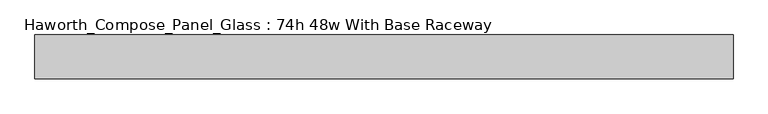
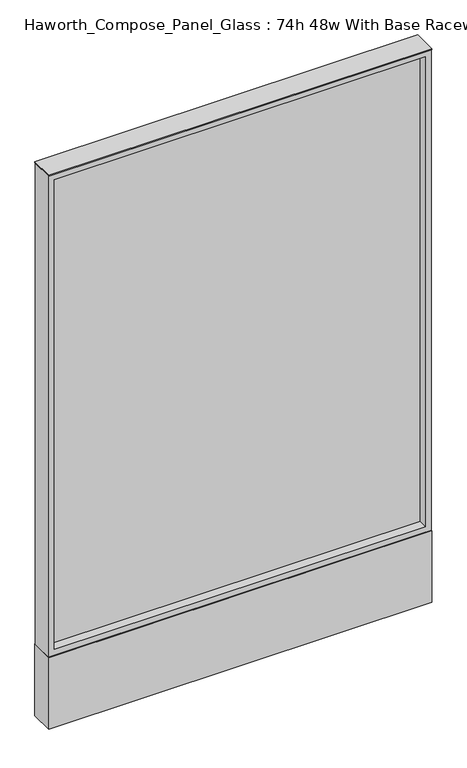
"""IFC4 building model written with IfcOpenShell, lengths in millimetres: furniture geometry, Haworth_Compose_Panel_Glass : 74h 48w With Base Raceway."""

from ifc_helpers import new_model, si_unit, point, frame, frame_2d, origin, origin_with_axes, place, context, project, spatial, polyline, circle_curve, trimmed, segment, composite_curve, outline, extrude, source, transform, mapped, element, save


def haworth_compose_panel_glass_74h_48w_with_base_raceway_a7fe2dac(model_context):
    return source(origin(), model_context, "Body", "SweptSolid", [
        extrude(outline(composite_curve([segment(trimmed(circle_curve(frame_2d((535.8402902, 0.0)), 12.7), [point((523.1402902, 0.0))], [point((548.5402902, 0.0))], False, "CARTESIAN"), True, "CONTINUOUS"), segment(trimmed(circle_curve(frame_2d((535.8402902, 0.0)), 12.7), [point((548.5402902, 0.0))], [point((523.1402902, 0.0))], False, "CARTESIAN"), True, "CONTINUOUS")], self_intersect=False)), origin_with_axes(), (0.0, 0.0, 1.0), 12.7),
        extrude(outline(composite_curve([segment(trimmed(circle_curve(frame_2d((-530.9597098, 0.0)), 12.7), [point((-543.6597098, 0.0))], [point((-518.2597098, 0.0))], False, "CARTESIAN"), True, "CONTINUOUS"), segment(trimmed(circle_curve(frame_2d((-530.9597098, 0.0)), 12.7), [point((-518.2597098, 0.0))], [point((-543.6597098, 0.0))], False, "CARTESIAN"), True, "CONTINUOUS")], self_intersect=False)), origin_with_axes(), (0.0, 0.0, 1.0), 12.7),
        extrude(outline(polyline([(592.9902902, -6.35), (-588.1097098, -6.35), (-588.1097098, 6.35), (592.9902902, 6.35), (592.9902902, -6.35)])), frame((0.0, 0.0, 273.05), z_axis=(0.0, 0.0, 1.0), x_axis=(1.0, 0.0, 0.0)), (0.0, 0.0, 1.0), 1581.15),
        extrude(outline(polyline([(1873.25, -607.1597098), (254.0, -607.1597098), (254.0, 612.0402902), (1873.25, 612.0402902), (1873.25, -607.1597098)]), holes=[polyline([(1854.2, 592.9902902), (273.05, 592.9902902), (273.05, -588.1097098), (1854.2, -588.1097098), (1854.2, 592.9902902)])]), frame((0.0, -34.925, 0.0), z_axis=(0.0, 1.0, 0.0), x_axis=(0.0, 0.0, 1.0)), (0.0, 0.0, 1.0), 69.85),
        extrude(outline(polyline([(-607.1597098, 38.1), (612.0402902, 38.1), (612.0402902, -38.1), (-607.1597098, -38.1), (-607.1597098, 38.1)])), frame((0.0, 0.0, 12.7), z_axis=(0.0, 0.0, 1.0), x_axis=(1.0, 0.0, 0.0)), (0.0, 0.0, 1.0), 241.3),
        extrude(outline(polyline([(-607.1597098, -38.1), (-607.1597098, 38.1), (612.0402902, 38.1), (612.0402902, -38.1), (-607.1597098, -38.1)])), frame((0.0, 0.0, 1873.25), z_axis=(0.0, 0.0, 1.0), x_axis=(1.0, 0.0, 0.0)), (0.0, 0.0, 1.0), 3.175),
    ])


if __name__ == "__main__":
    model = new_model("IFC4")
    model_context = context("Model", 3, world=origin())
    ifc_project = project(units=[si_unit("LENGTHUNIT", "METRE", prefix="MILLI")], contexts=[model_context])
    site = spatial("IfcSite", under=ifc_project)
    building = spatial("IfcBuilding", under=site)
    placement = place(None, origin())
    haworth_compose_panel_glass_74h_48w_with_base_raceway_shape = haworth_compose_panel_glass_74h_48w_with_base_raceway_a7fe2dac(model_context)
    element("IfcFurniture", 1, ObjectType="Haworth_Compose_Panel_Glass : 74h 48w With Base Raceway", at=placement, inside=building, context=model_context, shape_type="MappedRepresentation", body=[
        mapped(haworth_compose_panel_glass_74h_48w_with_base_raceway_shape, transform((0.0, 0.0, 0.0), x_axis=(1.0, 0.0, 0.0), y_axis=(0.0, 1.0, 0.0), z_axis=(0.0, 0.0, 1.0))),
    ])
    save(model, "model.ifc")
